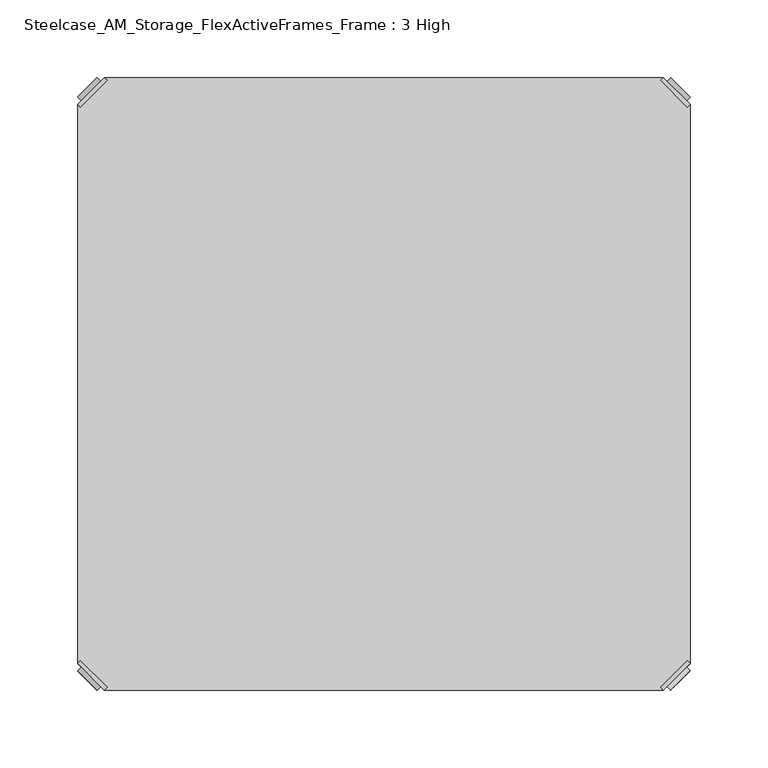
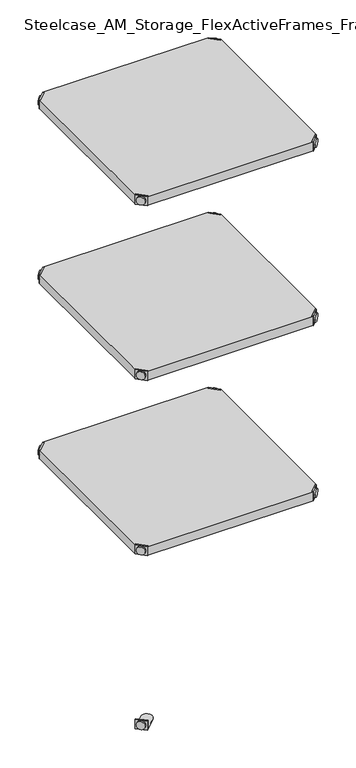
"""IFC4 building model written with IfcOpenShell, lengths in millimetres: furniture geometry, Steelcase_AM_Storage_FlexActiveFrames_Frame : 3 High."""

from ifc_helpers import new_model, si_unit, frame, origin, place, context, project, spatial, polyline, circle_curve, outline, extrude, source, transform, mapped, element, save
from ifc_brep_helpers import plane_surface, cylinder_surface, advanced_brep


def steelcase_am_storage_flexactiveframes_frame_3_high_4e09708e(model_context):
    return source(origin(), model_context, "Body", "SolidModel", [
        advanced_brep(
        [(2.54, -380.2870969, 923.29), (19.7629031, -397.51, 923.29), (21.5589544, -395.7139488, 923.29), (4.3360512, -378.4910456, 923.29), (2.54, -380.2870969, 901.954), (19.7629031, -397.51, 901.954), (4.8652723, -382.6123691, 913.13), (17.4376309, -395.1847277, 913.13), (30.2920522, -352.5350447, 902.97), (4.3360512, -378.4910456, 902.97), (21.5589544, -395.7139488, 902.97), (47.5149553, -369.7579478, 902.97), (30.2920522, -352.5350447, 901.954), (47.5149553, -369.7579478, 901.954), (15.1227513, -397.4996073, 913.13), (2.5503927, -384.9272487, 913.13)],
        [
            (0, 1),
            (1, 2),
            (2, 3),
            (3, 0),
            (0, 4),
            (4, 5),
            (5, 1),
            (6, 7, circle_curve(frame((11.1514516, -388.8985484, 913.13), z_axis=(0.7071067811865446, 0.7071067811865505, 0.0), x_axis=(-0.7071067811865505, 0.7071067811865446, 0.0)), 8.89)),
            (7, 6, circle_curve(frame((11.1514516, -388.8985484, 913.13), z_axis=(0.7071067811865446, 0.7071067811865505, 0.0), x_axis=(-0.7071067811865505, 0.7071067811865446, 0.0)), 8.89)),
            (8, 9),
            (9, 10),
            (10, 11),
            (11, 8, circle_curve(frame((38.9035037, -361.1464963, 902.97), z_axis=(0.0, 0.0, 1.0), x_axis=(1.0, 0.0, 0.0)), 12.1784316)),
            (12, 13, circle_curve(frame((38.9035037, -361.1464963, 901.954), z_axis=(0.0, 0.0, -1.0), x_axis=(1.0, 0.0, 0.0)), 12.1784316)),
            (13, 5),
            (4, 12),
            (14, 15, circle_curve(frame((8.836572, -391.213428, 913.13), z_axis=(-0.7071067811865446, -0.7071067811865505, 0.0), x_axis=(-0.7071067811865505, 0.7071067811865446, 0.0)), 8.89)),
            (15, 14, circle_curve(frame((8.836572, -391.213428, 913.13), z_axis=(-0.7071067811865446, -0.7071067811865505, 0.0), x_axis=(-0.7071067811865505, 0.7071067811865446, 0.0)), 8.89)),
            (15, 6),
            (7, 14),
            (2, 10),
            (9, 3),
            (11, 13),
            (12, 8),
        ],
        [
            plane_surface(frame((-19.6579872, -402.485084, 923.29), z_axis=(0.0, 0.0, 1.0000000000000002), x_axis=(0.7071067811865436, 0.7071067811865516, 0.0))),
            plane_surface(frame((19.7629031, -397.51, 923.29), z_axis=(-0.7071067811865447, -0.7071067811865503, 0.0), x_axis=(0.0, 0.0, -1.0))),
            plane_surface(frame((51.0819353, -361.1464963, 902.97), z_axis=(0.0, 0.0, 1.0), x_axis=(0.0, -1.0, 0.0))),
            plane_surface(frame((51.0819353, -361.1464963, 901.954), z_axis=(0.0, 0.0, -1.0), x_axis=(0.0, 1.0, 0.0))),
            plane_surface(frame((2.5503927, -384.9272487, 913.13), z_axis=(-0.7071067811865446, -0.7071067811865505, 0.0), x_axis=(0.0, 0.0, 1.0))),
            cylinder_surface(frame((11.1514516, -388.8985484, 913.13), z_axis=(-0.7071067811865446, -0.7071067811865505, 0.0), x_axis=(-0.7071067811865505, 0.7071067811865446, 0.0)), 8.89),
            plane_surface(frame((4.3360512, -378.4910456, 923.29), z_axis=(0.7071067811865447, 0.7071067811865503, 0.0), x_axis=(0.0, 0.0, -1.0))),
            cylinder_surface(frame((38.9035037, -361.1464963, 901.954), z_axis=(0.0, 0.0, 1.0), x_axis=(1.0, 0.0, 0.0)), 12.1784316),
            plane_surface(frame((2.54, -380.2870969, 923.29), z_axis=(-0.7071067811865516, 0.7071067811865436, 0.0), x_axis=(0.0, 0.0, -1.0))),
            plane_surface(frame((21.5589544, -395.7139488, 923.29), z_axis=(0.7071067811865513, -0.7071067811865437, 0.0), x_axis=(0.0, 0.0, -1.0))),
        ],
        [
            (0, [[1, 2, 3, 4]]),
            (1, [[5, 6, 7, -1], [8, 9]]),
            (2, [[10, 11, 12, 13]]),
            (3, [[14, 15, -6, 16]]),
            (4, [[17, 18]]),
            (5, [[19, -9, 20, -18]]),
            (5, [[-20, -8, -19, -17]]),
            (6, [[21, -11, 22, -3]]),
            (7, [[23, -14, 24, -13]]),
            (8, [[-22, -10, -24, -16, -5, -4]]),
            (9, [[-7, -15, -23, -12, -21, -2]]),
        ],
    ),
        advanced_brep(
        [(397.51, -380.2870969, 923.29), (395.7139488, -378.4910456, 923.29), (378.4910456, -395.7139488, 923.29), (380.2870969, -397.51, 923.29), (380.2870969, -397.51, 901.954), (397.51, -380.2870969, 901.954), (395.1847277, -382.6123691, 913.13), (382.6123691, -395.1847277, 913.13), (369.7579478, -352.5350447, 902.97), (352.5350447, -369.7579478, 902.97), (378.4910456, -395.7139488, 902.97), (395.7139488, -378.4910456, 902.97), (369.7579478, -352.5350447, 901.954), (352.5350447, -369.7579478, 901.954), (384.9272487, -397.4996073, 913.13), (397.4996073, -384.9272487, 913.13)],
        [
            (0, 1),
            (1, 2),
            (2, 3),
            (3, 0),
            (3, 4),
            (4, 5),
            (5, 0),
            (6, 7, circle_curve(frame((388.8985484, -388.8985484, 913.13), z_axis=(-0.7071067811865446, 0.7071067811865505, 0.0), x_axis=(0.7071067811865505, 0.7071067811865446, 0.0)), 8.89)),
            (7, 6, circle_curve(frame((388.8985484, -388.8985484, 913.13), z_axis=(-0.7071067811865446, 0.7071067811865505, 0.0), x_axis=(0.7071067811865505, 0.7071067811865446, 0.0)), 8.89)),
            (8, 9, circle_curve(frame((361.1464963, -361.1464963, 902.97), z_axis=(0.0, 0.0, 1.0), x_axis=(-1.0, 0.0, 0.0)), 12.1784316)),
            (9, 10),
            (10, 11),
            (11, 8),
            (12, 5),
            (4, 13),
            (13, 12, circle_curve(frame((361.1464963, -361.1464963, 901.954), z_axis=(0.0, 0.0, -1.0), x_axis=(-1.0, 0.0, 0.0)), 12.1784316)),
            (14, 15, circle_curve(frame((391.213428, -391.213428, 913.13), z_axis=(0.7071067811865446, -0.7071067811865505, 0.0), x_axis=(0.7071067811865505, 0.7071067811865446, 0.0)), 8.89)),
            (15, 14, circle_curve(frame((391.213428, -391.213428, 913.13), z_axis=(0.7071067811865446, -0.7071067811865505, 0.0), x_axis=(0.7071067811865505, 0.7071067811865446, 0.0)), 8.89)),
            (14, 7),
            (6, 15),
            (1, 11),
            (10, 2),
            (8, 12),
            (13, 9),
        ],
        [
            plane_surface(frame((419.7079872, -402.485084, 923.29), z_axis=(0.0, 0.0, 1.0000000000000002), x_axis=(-0.7071067811865436, 0.7071067811865516, 0.0))),
            plane_surface(frame((380.2870969, -397.51, 923.29), z_axis=(0.7071067811865447, -0.7071067811865503, 0.0), x_axis=(0.0, 0.0, -1.0))),
            plane_surface(frame((348.9680647, -361.1464963, 902.97), z_axis=(0.0, 0.0, 1.0), x_axis=(0.0, -1.0, 0.0))),
            plane_surface(frame((348.9680647, -361.1464963, 901.954), z_axis=(0.0, 0.0, -1.0), x_axis=(0.0, 1.0, 0.0))),
            plane_surface(frame((397.4996073, -384.9272487, 913.13), z_axis=(0.7071067811865446, -0.7071067811865505, 0.0), x_axis=(0.0, 0.0, 1.0))),
            cylinder_surface(frame((388.8985484, -388.8985484, 913.13), z_axis=(0.7071067811865446, -0.7071067811865505, 0.0), x_axis=(0.7071067811865505, 0.7071067811865446, 0.0)), 8.89),
            plane_surface(frame((395.7139488, -378.4910456, 923.29), z_axis=(-0.7071067811865447, 0.7071067811865503, 0.0), x_axis=(0.0, 0.0, -1.0))),
            cylinder_surface(frame((361.1464963, -361.1464963, 901.954), z_axis=(0.0, 0.0, 1.0), x_axis=(-1.0, 0.0, 0.0)), 12.1784316),
            plane_surface(frame((397.51, -380.2870969, 923.29), z_axis=(0.7071067811865516, 0.7071067811865436, 0.0), x_axis=(0.0, 0.0, -1.0))),
            plane_surface(frame((378.4910456, -395.7139488, 923.29), z_axis=(-0.7071067811865513, -0.7071067811865437, 0.0), x_axis=(0.0, 0.0, -1.0))),
        ],
        [
            (0, [[1, 2, 3, 4]]),
            (1, [[-4, 5, 6, 7], [8, 9]]),
            (2, [[10, 11, 12, 13]]),
            (3, [[14, -6, 15, 16]]),
            (4, [[17, 18]]),
            (5, [[-17, 19, -8, 20]]),
            (5, [[-18, -20, -9, -19]]),
            (6, [[-2, 21, -12, 22]]),
            (7, [[-10, 23, -16, 24]]),
            (8, [[-1, -7, -14, -23, -13, -21]]),
            (9, [[-3, -22, -11, -24, -15, -5]]),
        ],
    ),
        advanced_brep(
        [(397.51, -19.7629031, 923.29), (380.2870969, -2.54, 923.29), (378.4910456, -4.3360512, 923.29), (395.7139488, -21.5589544, 923.29), (397.51, -19.7629031, 901.954), (380.2870969, -2.54, 901.954), (395.1847277, -17.4376309, 913.13), (382.6123691, -4.8652723, 913.13), (369.7579478, -47.5149553, 902.97), (395.7139488, -21.5589544, 902.97), (378.4910456, -4.3360512, 902.97), (352.5350447, -30.2920522, 902.97), (369.7579478, -47.5149553, 901.954), (352.5350447, -30.2920522, 901.954), (384.9272487, -2.5503927, 913.13), (397.4996073, -15.1227513, 913.13)],
        [
            (0, 1),
            (1, 2),
            (2, 3),
            (3, 0),
            (0, 4),
            (4, 5),
            (5, 1),
            (6, 7, circle_curve(frame((388.8985484, -11.1514516, 913.13), z_axis=(-0.7071067811865469, -0.7071067811865481, 0.0), x_axis=(0.7071067811865481, -0.7071067811865469, 0.0)), 8.89)),
            (7, 6, circle_curve(frame((388.8985484, -11.1514516, 913.13), z_axis=(-0.7071067811865469, -0.7071067811865481, 0.0), x_axis=(0.7071067811865481, -0.7071067811865469, 0.0)), 8.89)),
            (8, 9),
            (9, 10),
            (10, 11),
            (11, 8, circle_curve(frame((361.1464963, -38.9035037, 902.97), z_axis=(0.0, 0.0, 1.0), x_axis=(-1.0, 0.0, 0.0)), 12.1784316)),
            (12, 13, circle_curve(frame((361.1464963, -38.9035037, 901.954), z_axis=(0.0, 0.0, -1.0), x_axis=(-1.0, 0.0, 0.0)), 12.1784316)),
            (13, 5),
            (4, 12),
            (14, 15, circle_curve(frame((391.213428, -8.836572, 913.13), z_axis=(0.7071067811865469, 0.7071067811865481, 0.0), x_axis=(0.7071067811865481, -0.7071067811865469, 0.0)), 8.89)),
            (15, 14, circle_curve(frame((391.213428, -8.836572, 913.13), z_axis=(0.7071067811865469, 0.7071067811865481, 0.0), x_axis=(0.7071067811865481, -0.7071067811865469, 0.0)), 8.89)),
            (15, 6),
            (7, 14),
            (2, 10),
            (9, 3),
            (11, 13),
            (12, 8),
        ],
        [
            plane_surface(frame((419.7079872, 2.435084, 923.29), z_axis=(0.0, 0.0, 1.0000000000000002), x_axis=(-0.7071067811865459, -0.7071067811865492, 0.0))),
            plane_surface(frame((380.2870969, -2.54, 923.29), z_axis=(0.707106781186547, 0.707106781186548, 0.0), x_axis=(0.0, 0.0, -1.0))),
            plane_surface(frame((348.9680647, -38.9035037, 902.97), z_axis=(0.0, 0.0, 1.0), x_axis=(0.0, 1.0, 0.0))),
            plane_surface(frame((348.9680647, -38.9035037, 901.954), z_axis=(0.0, 0.0, -1.0), x_axis=(0.0, -1.0, 0.0))),
            plane_surface(frame((397.4996073, -15.1227513, 913.13), z_axis=(0.7071067811865469, 0.7071067811865481, 0.0), x_axis=(0.0, 0.0, 1.0))),
            cylinder_surface(frame((388.8985484, -11.1514516, 913.13), z_axis=(0.7071067811865469, 0.7071067811865481, 0.0), x_axis=(0.7071067811865481, -0.7071067811865469, 0.0)), 8.89),
            plane_surface(frame((395.7139488, -21.5589544, 923.29), z_axis=(-0.707106781186547, -0.707106781186548, 0.0), x_axis=(0.0, 0.0, -1.0))),
            cylinder_surface(frame((361.1464963, -38.9035037, 901.954), z_axis=(0.0, 0.0, 1.0), x_axis=(-1.0, 0.0, 0.0)), 12.1784316),
            plane_surface(frame((397.51, -19.7629031, 923.29), z_axis=(0.7071067811865492, -0.7071067811865459, 0.0), x_axis=(0.0, 0.0, -1.0))),
            plane_surface(frame((378.4910456, -4.3360512, 923.29), z_axis=(-0.707106781186549, 0.707106781186546, 0.0), x_axis=(0.0, 0.0, -1.0))),
        ],
        [
            (0, [[1, 2, 3, 4]]),
            (1, [[5, 6, 7, -1], [8, 9]]),
            (2, [[10, 11, 12, 13]]),
            (3, [[14, 15, -6, 16]]),
            (4, [[17, 18]]),
            (5, [[19, -9, 20, -18]]),
            (5, [[-20, -8, -19, -17]]),
            (6, [[21, -11, 22, -3]]),
            (7, [[23, -14, 24, -13]]),
            (8, [[-22, -10, -24, -16, -5, -4]]),
            (9, [[-7, -15, -23, -12, -21, -2]]),
        ],
    ),
        advanced_brep(
        [(2.54, -19.7629031, 923.29), (4.3360512, -21.5589544, 923.29), (21.5589544, -4.3360512, 923.29), (19.7629031, -2.54, 923.29), (19.7629031, -2.54, 901.954), (2.54, -19.7629031, 901.954), (4.8652723, -17.4376309, 913.13), (17.4376309, -4.8652723, 913.13), (30.2920522, -47.5149553, 902.97), (47.5149553, -30.2920522, 902.97), (21.5589544, -4.3360512, 902.97), (4.3360512, -21.5589544, 902.97), (30.2920522, -47.5149553, 901.954), (47.5149553, -30.2920522, 901.954), (15.1227513, -2.5503927, 913.13), (2.5503927, -15.1227513, 913.13)],
        [
            (0, 1),
            (1, 2),
            (2, 3),
            (3, 0),
            (3, 4),
            (4, 5),
            (5, 0),
            (6, 7, circle_curve(frame((11.1514516, -11.1514516, 913.13), z_axis=(0.7071067811865469, -0.7071067811865481, 0.0), x_axis=(-0.7071067811865481, -0.7071067811865469, 0.0)), 8.89)),
            (7, 6, circle_curve(frame((11.1514516, -11.1514516, 913.13), z_axis=(0.7071067811865469, -0.7071067811865481, 0.0), x_axis=(-0.7071067811865481, -0.7071067811865469, 0.0)), 8.89)),
            (8, 9, circle_curve(frame((38.9035037, -38.9035037, 902.97), z_axis=(0.0, 0.0, 1.0), x_axis=(1.0, 0.0, 0.0)), 12.1784316)),
            (9, 10),
            (10, 11),
            (11, 8),
            (12, 5),
            (4, 13),
            (13, 12, circle_curve(frame((38.9035037, -38.9035037, 901.954), z_axis=(0.0, 0.0, -1.0), x_axis=(1.0, 0.0, 0.0)), 12.1784316)),
            (14, 15, circle_curve(frame((8.836572, -8.836572, 913.13), z_axis=(-0.7071067811865469, 0.7071067811865481, 0.0), x_axis=(-0.7071067811865481, -0.7071067811865469, 0.0)), 8.89)),
            (15, 14, circle_curve(frame((8.836572, -8.836572, 913.13), z_axis=(-0.7071067811865469, 0.7071067811865481, 0.0), x_axis=(-0.7071067811865481, -0.7071067811865469, 0.0)), 8.89)),
            (14, 7),
            (6, 15),
            (1, 11),
            (10, 2),
            (8, 12),
            (13, 9),
        ],
        [
            plane_surface(frame((-19.6579872, 2.435084, 923.29), z_axis=(0.0, 0.0, 1.0000000000000002), x_axis=(0.7071067811865459, -0.7071067811865492, 0.0))),
            plane_surface(frame((19.7629031, -2.54, 923.29), z_axis=(-0.707106781186547, 0.707106781186548, 0.0), x_axis=(0.0, 0.0, -1.0))),
            plane_surface(frame((51.0819353, -38.9035037, 902.97), z_axis=(0.0, 0.0, 1.0), x_axis=(0.0, 1.0, 0.0))),
            plane_surface(frame((51.0819353, -38.9035037, 901.954), z_axis=(0.0, 0.0, -1.0), x_axis=(0.0, -1.0, 0.0))),
            plane_surface(frame((2.5503927, -15.1227513, 913.13), z_axis=(-0.7071067811865469, 0.7071067811865481, 0.0), x_axis=(0.0, 0.0, 1.0))),
            cylinder_surface(frame((11.1514516, -11.1514516, 913.13), z_axis=(-0.7071067811865469, 0.7071067811865481, 0.0), x_axis=(-0.7071067811865481, -0.7071067811865469, 0.0)), 8.89),
            plane_surface(frame((4.3360512, -21.5589544, 923.29), z_axis=(0.707106781186547, -0.707106781186548, 0.0), x_axis=(0.0, 0.0, -1.0))),
            cylinder_surface(frame((38.9035037, -38.9035037, 901.954), z_axis=(0.0, 0.0, 1.0), x_axis=(1.0, 0.0, 0.0)), 12.1784316),
            plane_surface(frame((2.54, -19.7629031, 923.29), z_axis=(-0.7071067811865492, -0.7071067811865459, 0.0), x_axis=(0.0, 0.0, -1.0))),
            plane_surface(frame((21.5589544, -4.3360512, 923.29), z_axis=(0.707106781186549, 0.707106781186546, 0.0), x_axis=(0.0, 0.0, -1.0))),
        ],
        [
            (0, [[1, 2, 3, 4]]),
            (1, [[-4, 5, 6, 7], [8, 9]]),
            (2, [[10, 11, 12, 13]]),
            (3, [[14, -6, 15, 16]]),
            (4, [[17, 18]]),
            (5, [[-17, 19, -8, 20]]),
            (5, [[-18, -20, -9, -19]]),
            (6, [[-2, 21, -12, 22]]),
            (7, [[-10, 23, -16, 24]]),
            (8, [[-1, -7, -14, -23, -13, -21]]),
            (9, [[-3, -22, -11, -24, -15, -5]]),
        ],
    ),
        extrude(outline(polyline([(19.7629031, -2.54), (380.2870969, -2.54), (378.4910456, -4.3360512), (395.7139488, -21.5589544), (397.51, -19.7629031), (397.51, -380.2870969), (395.7139488, -378.4910456), (378.4910456, -395.7139488), (380.2870969, -397.51), (19.7629031, -397.51), (21.5589544, -395.7139488), (4.3360512, -378.4910456), (2.54, -380.2870969), (2.54, -19.7629031), (4.3360512, -21.5589544), (21.5589544, -4.3360512), (19.7629031, -2.54)])), frame((0.0, 0.0, 902.97), z_axis=(0.0, 0.0, 1.0), x_axis=(1.0, 0.0, 0.0)), (0.0, 0.0, 1.0), 20.32),
        advanced_brep(
        [(2.54, -380.2870969, 520.2936), (19.7629031, -397.51, 520.2936), (21.5589544, -395.7139488, 520.2936), (4.3360512, -378.4910456, 520.2936), (2.54, -380.2870969, 498.9576), (19.7629031, -397.51, 498.9576), (4.8652723, -382.6123691, 510.1336), (17.4376309, -395.1847277, 510.1336), (30.2920522, -352.5350447, 499.9736), (4.3360512, -378.4910456, 499.9736), (21.5589544, -395.7139488, 499.9736), (47.5149553, -369.7579478, 499.9736), (30.2920522, -352.5350447, 498.9576), (47.5149553, -369.7579478, 498.9576), (15.1227513, -397.4996073, 510.1336), (2.5503927, -384.9272487, 510.1336)],
        [
            (0, 1),
            (1, 2),
            (2, 3),
            (3, 0),
            (0, 4),
            (4, 5),
            (5, 1),
            (6, 7, circle_curve(frame((11.1514516, -388.8985484, 510.1336), z_axis=(0.7071067811865446, 0.7071067811865505, 0.0), x_axis=(-0.7071067811865505, 0.7071067811865446, 0.0)), 8.89)),
            (7, 6, circle_curve(frame((11.1514516, -388.8985484, 510.1336), z_axis=(0.7071067811865446, 0.7071067811865505, 0.0), x_axis=(-0.7071067811865505, 0.7071067811865446, 0.0)), 8.89)),
            (8, 9),
            (9, 10),
            (10, 11),
            (11, 8, circle_curve(frame((38.9035037, -361.1464963, 499.9736), z_axis=(0.0, 0.0, 1.0), x_axis=(1.0, 0.0, 0.0)), 12.1784316)),
            (12, 13, circle_curve(frame((38.9035037, -361.1464963, 498.9576), z_axis=(0.0, 0.0, -1.0), x_axis=(1.0, 0.0, 0.0)), 12.1784316)),
            (13, 5),
            (4, 12),
            (14, 15, circle_curve(frame((8.836572, -391.213428, 510.1336), z_axis=(-0.7071067811865446, -0.7071067811865505, 0.0), x_axis=(-0.7071067811865505, 0.7071067811865446, 0.0)), 8.89)),
            (15, 14, circle_curve(frame((8.836572, -391.213428, 510.1336), z_axis=(-0.7071067811865446, -0.7071067811865505, 0.0), x_axis=(-0.7071067811865505, 0.7071067811865446, 0.0)), 8.89)),
            (15, 6),
            (7, 14),
            (2, 10),
            (9, 3),
            (11, 13),
            (12, 8),
        ],
        [
            plane_surface(frame((-19.6579872, -402.485084, 520.2936), z_axis=(0.0, 0.0, 1.0000000000000002), x_axis=(0.7071067811865436, 0.7071067811865516, 0.0))),
            plane_surface(frame((19.7629031, -397.51, 520.2936), z_axis=(-0.7071067811865447, -0.7071067811865503, 0.0), x_axis=(0.0, 0.0, -1.0))),
            plane_surface(frame((51.0819353, -361.1464963, 499.9736), z_axis=(0.0, 0.0, 1.0), x_axis=(0.0, -1.0, 0.0))),
            plane_surface(frame((51.0819353, -361.1464963, 498.9576), z_axis=(0.0, 0.0, -1.0), x_axis=(0.0, 1.0, 0.0))),
            plane_surface(frame((2.5503927, -384.9272487, 510.1336), z_axis=(-0.7071067811865446, -0.7071067811865505, 0.0), x_axis=(0.0, 0.0, 1.0))),
            cylinder_surface(frame((11.1514516, -388.8985484, 510.1336), z_axis=(-0.7071067811865446, -0.7071067811865505, 0.0), x_axis=(-0.7071067811865505, 0.7071067811865446, 0.0)), 8.89),
            plane_surface(frame((4.3360512, -378.4910456, 520.2936), z_axis=(0.7071067811865447, 0.7071067811865503, 0.0), x_axis=(0.0, 0.0, -1.0))),
            cylinder_surface(frame((38.9035037, -361.1464963, 498.9576), z_axis=(0.0, 0.0, 1.0), x_axis=(1.0, 0.0, 0.0)), 12.1784316),
            plane_surface(frame((2.54, -380.2870969, 520.2936), z_axis=(-0.7071067811865516, 0.7071067811865436, 0.0), x_axis=(0.0, 0.0, -1.0))),
            plane_surface(frame((21.5589544, -395.7139488, 520.2936), z_axis=(0.7071067811865513, -0.7071067811865437, 0.0), x_axis=(0.0, 0.0, -1.0))),
        ],
        [
            (0, [[1, 2, 3, 4]]),
            (1, [[5, 6, 7, -1], [8, 9]]),
            (2, [[10, 11, 12, 13]]),
            (3, [[14, 15, -6, 16]]),
            (4, [[17, 18]]),
            (5, [[19, -9, 20, -18]]),
            (5, [[-20, -8, -19, -17]]),
            (6, [[21, -11, 22, -3]]),
            (7, [[23, -14, 24, -13]]),
            (8, [[-22, -10, -24, -16, -5, -4]]),
            (9, [[-7, -15, -23, -12, -21, -2]]),
        ],
    ),
        advanced_brep(
        [(397.51, -380.2870969, 520.2936), (395.7139488, -378.4910456, 520.2936), (378.4910456, -395.7139488, 520.2936), (380.2870969, -397.51, 520.2936), (380.2870969, -397.51, 498.9576), (397.51, -380.2870969, 498.9576), (395.1847277, -382.6123691, 510.1336), (382.6123691, -395.1847277, 510.1336), (369.7579478, -352.5350447, 499.9736), (352.5350447, -369.7579478, 499.9736), (378.4910456, -395.7139488, 499.9736), (395.7139488, -378.4910456, 499.9736), (369.7579478, -352.5350447, 498.9576), (352.5350447, -369.7579478, 498.9576), (384.9272487, -397.4996073, 510.1336), (397.4996073, -384.9272487, 510.1336)],
        [
            (0, 1),
            (1, 2),
            (2, 3),
            (3, 0),
            (3, 4),
            (4, 5),
            (5, 0),
            (6, 7, circle_curve(frame((388.8985484, -388.8985484, 510.1336), z_axis=(-0.7071067811865446, 0.7071067811865505, 0.0), x_axis=(0.7071067811865505, 0.7071067811865446, 0.0)), 8.89)),
            (7, 6, circle_curve(frame((388.8985484, -388.8985484, 510.1336), z_axis=(-0.7071067811865446, 0.7071067811865505, 0.0), x_axis=(0.7071067811865505, 0.7071067811865446, 0.0)), 8.89)),
            (8, 9, circle_curve(frame((361.1464963, -361.1464963, 499.9736), z_axis=(0.0, 0.0, 1.0), x_axis=(-1.0, 0.0, 0.0)), 12.1784316)),
            (9, 10),
            (10, 11),
            (11, 8),
            (12, 5),
            (4, 13),
            (13, 12, circle_curve(frame((361.1464963, -361.1464963, 498.9576), z_axis=(0.0, 0.0, -1.0), x_axis=(-1.0, 0.0, 0.0)), 12.1784316)),
            (14, 15, circle_curve(frame((391.213428, -391.213428, 510.1336), z_axis=(0.7071067811865446, -0.7071067811865505, 0.0), x_axis=(0.7071067811865505, 0.7071067811865446, 0.0)), 8.89)),
            (15, 14, circle_curve(frame((391.213428, -391.213428, 510.1336), z_axis=(0.7071067811865446, -0.7071067811865505, 0.0), x_axis=(0.7071067811865505, 0.7071067811865446, 0.0)), 8.89)),
            (14, 7),
            (6, 15),
            (1, 11),
            (10, 2),
            (8, 12),
            (13, 9),
        ],
        [
            plane_surface(frame((419.7079872, -402.485084, 520.2936), z_axis=(0.0, 0.0, 1.0000000000000002), x_axis=(-0.7071067811865436, 0.7071067811865516, 0.0))),
            plane_surface(frame((380.2870969, -397.51, 520.2936), z_axis=(0.7071067811865447, -0.7071067811865503, 0.0), x_axis=(0.0, 0.0, -1.0))),
            plane_surface(frame((348.9680647, -361.1464963, 499.9736), z_axis=(0.0, 0.0, 1.0), x_axis=(0.0, -1.0, 0.0))),
            plane_surface(frame((348.9680647, -361.1464963, 498.9576), z_axis=(0.0, 0.0, -1.0), x_axis=(0.0, 1.0, 0.0))),
            plane_surface(frame((397.4996073, -384.9272487, 510.1336), z_axis=(0.7071067811865446, -0.7071067811865505, 0.0), x_axis=(0.0, 0.0, 1.0))),
            cylinder_surface(frame((388.8985484, -388.8985484, 510.1336), z_axis=(0.7071067811865446, -0.7071067811865505, 0.0), x_axis=(0.7071067811865505, 0.7071067811865446, 0.0)), 8.89),
            plane_surface(frame((395.7139488, -378.4910456, 520.2936), z_axis=(-0.7071067811865447, 0.7071067811865503, 0.0), x_axis=(0.0, 0.0, -1.0))),
            cylinder_surface(frame((361.1464963, -361.1464963, 498.9576), z_axis=(0.0, 0.0, 1.0), x_axis=(-1.0, 0.0, 0.0)), 12.1784316),
            plane_surface(frame((397.51, -380.2870969, 520.2936), z_axis=(0.7071067811865516, 0.7071067811865436, 0.0), x_axis=(0.0, 0.0, -1.0))),
            plane_surface(frame((378.4910456, -395.7139488, 520.2936), z_axis=(-0.7071067811865513, -0.7071067811865437, 0.0), x_axis=(0.0, 0.0, -1.0))),
        ],
        [
            (0, [[1, 2, 3, 4]]),
            (1, [[-4, 5, 6, 7], [8, 9]]),
            (2, [[10, 11, 12, 13]]),
            (3, [[14, -6, 15, 16]]),
            (4, [[17, 18]]),
            (5, [[-17, 19, -8, 20]]),
            (5, [[-18, -20, -9, -19]]),
            (6, [[-2, 21, -12, 22]]),
            (7, [[-10, 23, -16, 24]]),
            (8, [[-1, -7, -14, -23, -13, -21]]),
            (9, [[-3, -22, -11, -24, -15, -5]]),
        ],
    ),
        advanced_brep(
        [(397.51, -19.7629031, 520.2936), (380.2870969, -2.54, 520.2936), (378.4910456, -4.3360512, 520.2936), (395.7139488, -21.5589544, 520.2936), (397.51, -19.7629031, 498.9576), (380.2870969, -2.54, 498.9576), (395.1847277, -17.4376309, 510.1336), (382.6123691, -4.8652723, 510.1336), (369.7579478, -47.5149553, 499.9736), (395.7139488, -21.5589544, 499.9736), (378.4910456, -4.3360512, 499.9736), (352.5350447, -30.2920522, 499.9736), (369.7579478, -47.5149553, 498.9576), (352.5350447, -30.2920522, 498.9576), (384.9272487, -2.5503927, 510.1336), (397.4996073, -15.1227513, 510.1336)],
        [
            (0, 1),
            (1, 2),
            (2, 3),
            (3, 0),
            (0, 4),
            (4, 5),
            (5, 1),
            (6, 7, circle_curve(frame((388.8985484, -11.1514516, 510.1336), z_axis=(-0.7071067811865469, -0.7071067811865481, 0.0), x_axis=(0.7071067811865481, -0.7071067811865469, 0.0)), 8.89)),
            (7, 6, circle_curve(frame((388.8985484, -11.1514516, 510.1336), z_axis=(-0.7071067811865469, -0.7071067811865481, 0.0), x_axis=(0.7071067811865481, -0.7071067811865469, 0.0)), 8.89)),
            (8, 9),
            (9, 10),
            (10, 11),
            (11, 8, circle_curve(frame((361.1464963, -38.9035037, 499.9736), z_axis=(0.0, 0.0, 1.0), x_axis=(-1.0, 0.0, 0.0)), 12.1784316)),
            (12, 13, circle_curve(frame((361.1464963, -38.9035037, 498.9576), z_axis=(0.0, 0.0, -1.0), x_axis=(-1.0, 0.0, 0.0)), 12.1784316)),
            (13, 5),
            (4, 12),
            (14, 15, circle_curve(frame((391.213428, -8.836572, 510.1336), z_axis=(0.7071067811865469, 0.7071067811865481, 0.0), x_axis=(0.7071067811865481, -0.7071067811865469, 0.0)), 8.89)),
            (15, 14, circle_curve(frame((391.213428, -8.836572, 510.1336), z_axis=(0.7071067811865469, 0.7071067811865481, 0.0), x_axis=(0.7071067811865481, -0.7071067811865469, 0.0)), 8.89)),
            (15, 6),
            (7, 14),
            (2, 10),
            (9, 3),
            (11, 13),
            (12, 8),
        ],
        [
            plane_surface(frame((419.7079872, 2.435084, 520.2936), z_axis=(0.0, 0.0, 1.0000000000000002), x_axis=(-0.7071067811865459, -0.7071067811865492, 0.0))),
            plane_surface(frame((380.2870969, -2.54, 520.2936), z_axis=(0.707106781186547, 0.707106781186548, 0.0), x_axis=(0.0, 0.0, -1.0))),
            plane_surface(frame((348.9680647, -38.9035037, 499.9736), z_axis=(0.0, 0.0, 1.0), x_axis=(0.0, 1.0, 0.0))),
            plane_surface(frame((348.9680647, -38.9035037, 498.9576), z_axis=(0.0, 0.0, -1.0), x_axis=(0.0, -1.0, 0.0))),
            plane_surface(frame((397.4996073, -15.1227513, 510.1336), z_axis=(0.7071067811865469, 0.7071067811865481, 0.0), x_axis=(0.0, 0.0, 1.0))),
            cylinder_surface(frame((388.8985484, -11.1514516, 510.1336), z_axis=(0.7071067811865469, 0.7071067811865481, 0.0), x_axis=(0.7071067811865481, -0.7071067811865469, 0.0)), 8.89),
            plane_surface(frame((395.7139488, -21.5589544, 520.2936), z_axis=(-0.707106781186547, -0.707106781186548, 0.0), x_axis=(0.0, 0.0, -1.0))),
            cylinder_surface(frame((361.1464963, -38.9035037, 498.9576), z_axis=(0.0, 0.0, 1.0), x_axis=(-1.0, 0.0, 0.0)), 12.1784316),
            plane_surface(frame((397.51, -19.7629031, 520.2936), z_axis=(0.7071067811865492, -0.7071067811865459, 0.0), x_axis=(0.0, 0.0, -1.0))),
            plane_surface(frame((378.4910456, -4.3360512, 520.2936), z_axis=(-0.707106781186549, 0.707106781186546, 0.0), x_axis=(0.0, 0.0, -1.0))),
        ],
        [
            (0, [[1, 2, 3, 4]]),
            (1, [[5, 6, 7, -1], [8, 9]]),
            (2, [[10, 11, 12, 13]]),
            (3, [[14, 15, -6, 16]]),
            (4, [[17, 18]]),
            (5, [[19, -9, 20, -18]]),
            (5, [[-20, -8, -19, -17]]),
            (6, [[21, -11, 22, -3]]),
            (7, [[23, -14, 24, -13]]),
            (8, [[-22, -10, -24, -16, -5, -4]]),
            (9, [[-7, -15, -23, -12, -21, -2]]),
        ],
    ),
        advanced_brep(
        [(2.54, -19.7629031, 520.2936), (4.3360512, -21.5589544, 520.2936), (21.5589544, -4.3360512, 520.2936), (19.7629031, -2.54, 520.2936), (19.7629031, -2.54, 498.9576), (2.54, -19.7629031, 498.9576), (4.8652723, -17.4376309, 510.1336), (17.4376309, -4.8652723, 510.1336), (30.2920522, -47.5149553, 499.9736), (47.5149553, -30.2920522, 499.9736), (21.5589544, -4.3360512, 499.9736), (4.3360512, -21.5589544, 499.9736), (30.2920522, -47.5149553, 498.9576), (47.5149553, -30.2920522, 498.9576), (15.1227513, -2.5503927, 510.1336), (2.5503927, -15.1227513, 510.1336)],
        [
            (0, 1),
            (1, 2),
            (2, 3),
            (3, 0),
            (3, 4),
            (4, 5),
            (5, 0),
            (6, 7, circle_curve(frame((11.1514516, -11.1514516, 510.1336), z_axis=(0.7071067811865469, -0.7071067811865481, 0.0), x_axis=(-0.7071067811865481, -0.7071067811865469, 0.0)), 8.89)),
            (7, 6, circle_curve(frame((11.1514516, -11.1514516, 510.1336), z_axis=(0.7071067811865469, -0.7071067811865481, 0.0), x_axis=(-0.7071067811865481, -0.7071067811865469, 0.0)), 8.89)),
            (8, 9, circle_curve(frame((38.9035037, -38.9035037, 499.9736), z_axis=(0.0, 0.0, 1.0), x_axis=(1.0, 0.0, 0.0)), 12.1784316)),
            (9, 10),
            (10, 11),
            (11, 8),
            (12, 5),
            (4, 13),
            (13, 12, circle_curve(frame((38.9035037, -38.9035037, 498.9576), z_axis=(0.0, 0.0, -1.0), x_axis=(1.0, 0.0, 0.0)), 12.1784316)),
            (14, 15, circle_curve(frame((8.836572, -8.836572, 510.1336), z_axis=(-0.7071067811865469, 0.7071067811865481, 0.0), x_axis=(-0.7071067811865481, -0.7071067811865469, 0.0)), 8.89)),
            (15, 14, circle_curve(frame((8.836572, -8.836572, 510.1336), z_axis=(-0.7071067811865469, 0.7071067811865481, 0.0), x_axis=(-0.7071067811865481, -0.7071067811865469, 0.0)), 8.89)),
            (14, 7),
            (6, 15),
            (1, 11),
            (10, 2),
            (8, 12),
            (13, 9),
        ],
        [
            plane_surface(frame((-19.6579872, 2.435084, 520.2936), z_axis=(0.0, 0.0, 1.0000000000000002), x_axis=(0.7071067811865459, -0.7071067811865492, 0.0))),
            plane_surface(frame((19.7629031, -2.54, 520.2936), z_axis=(-0.707106781186547, 0.707106781186548, 0.0), x_axis=(0.0, 0.0, -1.0))),
            plane_surface(frame((51.0819353, -38.9035037, 499.9736), z_axis=(0.0, 0.0, 1.0), x_axis=(0.0, 1.0, 0.0))),
            plane_surface(frame((51.0819353, -38.9035037, 498.9576), z_axis=(0.0, 0.0, -1.0), x_axis=(0.0, -1.0, 0.0))),
            plane_surface(frame((2.5503927, -15.1227513, 510.1336), z_axis=(-0.7071067811865469, 0.7071067811865481, 0.0), x_axis=(0.0, 0.0, 1.0))),
            cylinder_surface(frame((11.1514516, -11.1514516, 510.1336), z_axis=(-0.7071067811865469, 0.7071067811865481, 0.0), x_axis=(-0.7071067811865481, -0.7071067811865469, 0.0)), 8.89),
            plane_surface(frame((4.3360512, -21.5589544, 520.2936), z_axis=(0.707106781186547, -0.707106781186548, 0.0), x_axis=(0.0, 0.0, -1.0))),
            cylinder_surface(frame((38.9035037, -38.9035037, 498.9576), z_axis=(0.0, 0.0, 1.0), x_axis=(1.0, 0.0, 0.0)), 12.1784316),
            plane_surface(frame((2.54, -19.7629031, 520.2936), z_axis=(-0.7071067811865492, -0.7071067811865459, 0.0), x_axis=(0.0, 0.0, -1.0))),
            plane_surface(frame((21.5589544, -4.3360512, 520.2936), z_axis=(0.707106781186549, 0.707106781186546, 0.0), x_axis=(0.0, 0.0, -1.0))),
        ],
        [
            (0, [[1, 2, 3, 4]]),
            (1, [[-4, 5, 6, 7], [8, 9]]),
            (2, [[10, 11, 12, 13]]),
            (3, [[14, -6, 15, 16]]),
            (4, [[17, 18]]),
            (5, [[-17, 19, -8, 20]]),
            (5, [[-18, -20, -9, -19]]),
            (6, [[-2, 21, -12, 22]]),
            (7, [[-10, 23, -16, 24]]),
            (8, [[-1, -7, -14, -23, -13, -21]]),
            (9, [[-3, -22, -11, -24, -15, -5]]),
        ],
    ),
        extrude(outline(polyline([(19.7629031, -2.54), (380.2870969, -2.54), (378.4910456, -4.3360512), (395.7139488, -21.5589544), (397.51, -19.7629031), (397.51, -380.2870969), (395.7139488, -378.4910456), (378.4910456, -395.7139488), (380.2870969, -397.51), (19.7629031, -397.51), (21.5589544, -395.7139488), (4.3360512, -378.4910456), (2.54, -380.2870969), (2.54, -19.7629031), (4.3360512, -21.5589544), (21.5589544, -4.3360512), (19.7629031, -2.54)])), frame((0.0, 0.0, 499.9736), z_axis=(0.0, 0.0, 1.0), x_axis=(1.0, 0.0, 0.0)), (0.0, 0.0, 1.0), 20.32),
        advanced_brep(
        [(2.54, -380.2870969, 1324.61), (19.7629031, -397.51, 1324.61), (21.5589544, -395.7139488, 1324.61), (4.3360512, -378.4910456, 1324.61), (2.54, -380.2870969, 1303.274), (19.7629031, -397.51, 1303.274), (4.8652723, -382.6123691, 1314.45), (17.4376309, -395.1847277, 1314.45), (30.2920522, -352.5350447, 1304.29), (4.3360512, -378.4910456, 1304.29), (21.5589544, -395.7139488, 1304.29), (47.5149553, -369.7579478, 1304.29), (30.2920522, -352.5350447, 1303.274), (47.5149553, -369.7579478, 1303.274), (15.1227513, -397.4996073, 1314.45), (2.5503927, -384.9272487, 1314.45)],
        [
            (0, 1),
            (1, 2),
            (2, 3),
            (3, 0),
            (0, 4),
            (4, 5),
            (5, 1),
            (6, 7, circle_curve(frame((11.1514516, -388.8985484, 1314.45), z_axis=(0.7071067811865446, 0.7071067811865505, 0.0), x_axis=(-0.7071067811865505, 0.7071067811865446, 0.0)), 8.89)),
            (7, 6, circle_curve(frame((11.1514516, -388.8985484, 1314.45), z_axis=(0.7071067811865446, 0.7071067811865505, 0.0), x_axis=(-0.7071067811865505, 0.7071067811865446, 0.0)), 8.89)),
            (8, 9),
            (9, 10),
            (10, 11),
            (11, 8, circle_curve(frame((38.9035037, -361.1464963, 1304.29), z_axis=(0.0, 0.0, 1.0), x_axis=(1.0, 0.0, 0.0)), 12.1784316)),
            (12, 13, circle_curve(frame((38.9035037, -361.1464963, 1303.274), z_axis=(0.0, 0.0, -1.0), x_axis=(1.0, 0.0, 0.0)), 12.1784316)),
            (13, 5),
            (4, 12),
            (14, 15, circle_curve(frame((8.836572, -391.213428, 1314.45), z_axis=(-0.7071067811865446, -0.7071067811865505, 0.0), x_axis=(-0.7071067811865505, 0.7071067811865446, 0.0)), 8.89)),
            (15, 14, circle_curve(frame((8.836572, -391.213428, 1314.45), z_axis=(-0.7071067811865446, -0.7071067811865505, 0.0), x_axis=(-0.7071067811865505, 0.7071067811865446, 0.0)), 8.89)),
            (15, 6),
            (7, 14),
            (2, 10),
            (9, 3),
            (11, 13),
            (12, 8),
        ],
        [
            plane_surface(frame((-19.6579872, -402.485084, 1324.61), z_axis=(0.0, 0.0, 1.0000000000000002), x_axis=(0.7071067811865436, 0.7071067811865516, 0.0))),
            plane_surface(frame((19.7629031, -397.51, 1324.61), z_axis=(-0.7071067811865447, -0.7071067811865503, 0.0), x_axis=(0.0, 0.0, -1.0))),
            plane_surface(frame((51.0819353, -361.1464963, 1304.29), z_axis=(0.0, 0.0, 1.0), x_axis=(0.0, -1.0, 0.0))),
            plane_surface(frame((51.0819353, -361.1464963, 1303.274), z_axis=(0.0, 0.0, -1.0), x_axis=(0.0, 1.0, 0.0))),
            plane_surface(frame((2.5503927, -384.9272487, 1314.45), z_axis=(-0.7071067811865446, -0.7071067811865505, 0.0), x_axis=(0.0, 0.0, 1.0))),
            cylinder_surface(frame((11.1514516, -388.8985484, 1314.45), z_axis=(-0.7071067811865446, -0.7071067811865505, 0.0), x_axis=(-0.7071067811865505, 0.7071067811865446, 0.0)), 8.89),
            plane_surface(frame((4.3360512, -378.4910456, 1324.61), z_axis=(0.7071067811865447, 0.7071067811865503, 0.0), x_axis=(0.0, 0.0, -1.0))),
            cylinder_surface(frame((38.9035037, -361.1464963, 1303.274), z_axis=(0.0, 0.0, 1.0), x_axis=(1.0, 0.0, 0.0)), 12.1784316),
            plane_surface(frame((2.54, -380.2870969, 1324.61), z_axis=(-0.7071067811865516, 0.7071067811865436, 0.0), x_axis=(0.0, 0.0, -1.0))),
            plane_surface(frame((21.5589544, -395.7139488, 1324.61), z_axis=(0.7071067811865513, -0.7071067811865437, 0.0), x_axis=(0.0, 0.0, -1.0))),
        ],
        [
            (0, [[1, 2, 3, 4]]),
            (1, [[5, 6, 7, -1], [8, 9]]),
            (2, [[10, 11, 12, 13]]),
            (3, [[14, 15, -6, 16]]),
            (4, [[17, 18]]),
            (5, [[19, -9, 20, -18]]),
            (5, [[-20, -8, -19, -17]]),
            (6, [[21, -11, 22, -3]]),
            (7, [[23, -14, 24, -13]]),
            (8, [[-22, -10, -24, -16, -5, -4]]),
            (9, [[-7, -15, -23, -12, -21, -2]]),
        ],
    ),
        advanced_brep(
        [(397.51, -380.2870969, 1324.61), (395.7139488, -378.4910456, 1324.61), (378.4910456, -395.7139488, 1324.61), (380.2870969, -397.51, 1324.61), (380.2870969, -397.51, 1303.274), (397.51, -380.2870969, 1303.274), (395.1847277, -382.6123691, 1314.45), (382.6123691, -395.1847277, 1314.45), (369.7579478, -352.5350447, 1304.29), (352.5350447, -369.7579478, 1304.29), (378.4910456, -395.7139488, 1304.29), (395.7139488, -378.4910456, 1304.29), (369.7579478, -352.5350447, 1303.274), (352.5350447, -369.7579478, 1303.274), (384.9272487, -397.4996073, 1314.45), (397.4996073, -384.9272487, 1314.45)],
        [
            (0, 1),
            (1, 2),
            (2, 3),
            (3, 0),
            (3, 4),
            (4, 5),
            (5, 0),
            (6, 7, circle_curve(frame((388.8985484, -388.8985484, 1314.45), z_axis=(-0.7071067811865446, 0.7071067811865505, 0.0), x_axis=(0.7071067811865505, 0.7071067811865446, 0.0)), 8.89)),
            (7, 6, circle_curve(frame((388.8985484, -388.8985484, 1314.45), z_axis=(-0.7071067811865446, 0.7071067811865505, 0.0), x_axis=(0.7071067811865505, 0.7071067811865446, 0.0)), 8.89)),
            (8, 9, circle_curve(frame((361.1464963, -361.1464963, 1304.29), z_axis=(0.0, 0.0, 1.0), x_axis=(-1.0, 0.0, 0.0)), 12.1784316)),
            (9, 10),
            (10, 11),
            (11, 8),
            (12, 5),
            (4, 13),
            (13, 12, circle_curve(frame((361.1464963, -361.1464963, 1303.274), z_axis=(0.0, 0.0, -1.0), x_axis=(-1.0, 0.0, 0.0)), 12.1784316)),
            (14, 15, circle_curve(frame((391.213428, -391.213428, 1314.45), z_axis=(0.7071067811865446, -0.7071067811865505, 0.0), x_axis=(0.7071067811865505, 0.7071067811865446, 0.0)), 8.89)),
            (15, 14, circle_curve(frame((391.213428, -391.213428, 1314.45), z_axis=(0.7071067811865446, -0.7071067811865505, 0.0), x_axis=(0.7071067811865505, 0.7071067811865446, 0.0)), 8.89)),
            (14, 7),
            (6, 15),
            (1, 11),
            (10, 2),
            (8, 12),
            (13, 9),
        ],
        [
            plane_surface(frame((419.7079872, -402.485084, 1324.61), z_axis=(0.0, 0.0, 1.0000000000000002), x_axis=(-0.7071067811865436, 0.7071067811865516, 0.0))),
            plane_surface(frame((380.2870969, -397.51, 1324.61), z_axis=(0.7071067811865447, -0.7071067811865503, 0.0), x_axis=(0.0, 0.0, -1.0))),
            plane_surface(frame((348.9680647, -361.1464963, 1304.29), z_axis=(0.0, 0.0, 1.0), x_axis=(0.0, -1.0, 0.0))),
            plane_surface(frame((348.9680647, -361.1464963, 1303.274), z_axis=(0.0, 0.0, -1.0), x_axis=(0.0, 1.0, 0.0))),
            plane_surface(frame((397.4996073, -384.9272487, 1314.45), z_axis=(0.7071067811865446, -0.7071067811865505, 0.0), x_axis=(0.0, 0.0, 1.0))),
            cylinder_surface(frame((388.8985484, -388.8985484, 1314.45), z_axis=(0.7071067811865446, -0.7071067811865505, 0.0), x_axis=(0.7071067811865505, 0.7071067811865446, 0.0)), 8.89),
            plane_surface(frame((395.7139488, -378.4910456, 1324.61), z_axis=(-0.7071067811865447, 0.7071067811865503, 0.0), x_axis=(0.0, 0.0, -1.0))),
            cylinder_surface(frame((361.1464963, -361.1464963, 1303.274), z_axis=(0.0, 0.0, 1.0), x_axis=(-1.0, 0.0, 0.0)), 12.1784316),
            plane_surface(frame((397.51, -380.2870969, 1324.61), z_axis=(0.7071067811865516, 0.7071067811865436, 0.0), x_axis=(0.0, 0.0, -1.0))),
            plane_surface(frame((378.4910456, -395.7139488, 1324.61), z_axis=(-0.7071067811865513, -0.7071067811865437, 0.0), x_axis=(0.0, 0.0, -1.0))),
        ],
        [
            (0, [[1, 2, 3, 4]]),
            (1, [[-4, 5, 6, 7], [8, 9]]),
            (2, [[10, 11, 12, 13]]),
            (3, [[14, -6, 15, 16]]),
            (4, [[17, 18]]),
            (5, [[-17, 19, -8, 20]]),
            (5, [[-18, -20, -9, -19]]),
            (6, [[-2, 21, -12, 22]]),
            (7, [[-10, 23, -16, 24]]),
            (8, [[-1, -7, -14, -23, -13, -21]]),
            (9, [[-3, -22, -11, -24, -15, -5]]),
        ],
    ),
        advanced_brep(
        [(397.51, -19.7629031, 1324.61), (380.2870969, -2.54, 1324.61), (378.4910456, -4.3360512, 1324.61), (395.7139488, -21.5589544, 1324.61), (397.51, -19.7629031, 1303.274), (380.2870969, -2.54, 1303.274), (395.1847277, -17.4376309, 1314.45), (382.6123691, -4.8652723, 1314.45), (369.7579478, -47.5149553, 1304.29), (395.7139488, -21.5589544, 1304.29), (378.4910456, -4.3360512, 1304.29), (352.5350447, -30.2920522, 1304.29), (369.7579478, -47.5149553, 1303.274), (352.5350447, -30.2920522, 1303.274), (384.9272487, -2.5503927, 1314.45), (397.4996073, -15.1227513, 1314.45)],
        [
            (0, 1),
            (1, 2),
            (2, 3),
            (3, 0),
            (0, 4),
            (4, 5),
            (5, 1),
            (6, 7, circle_curve(frame((388.8985484, -11.1514516, 1314.45), z_axis=(-0.7071067811865469, -0.7071067811865481, 0.0), x_axis=(0.7071067811865481, -0.7071067811865469, 0.0)), 8.89)),
            (7, 6, circle_curve(frame((388.8985484, -11.1514516, 1314.45), z_axis=(-0.7071067811865469, -0.7071067811865481, 0.0), x_axis=(0.7071067811865481, -0.7071067811865469, 0.0)), 8.89)),
            (8, 9),
            (9, 10),
            (10, 11),
            (11, 8, circle_curve(frame((361.1464963, -38.9035037, 1304.29), z_axis=(0.0, 0.0, 1.0), x_axis=(-1.0, 0.0, 0.0)), 12.1784316)),
            (12, 13, circle_curve(frame((361.1464963, -38.9035037, 1303.274), z_axis=(0.0, 0.0, -1.0), x_axis=(-1.0, 0.0, 0.0)), 12.1784316)),
            (13, 5),
            (4, 12),
            (14, 15, circle_curve(frame((391.213428, -8.836572, 1314.45), z_axis=(0.7071067811865469, 0.7071067811865481, 0.0), x_axis=(0.7071067811865481, -0.7071067811865469, 0.0)), 8.89)),
            (15, 14, circle_curve(frame((391.213428, -8.836572, 1314.45), z_axis=(0.7071067811865469, 0.7071067811865481, 0.0), x_axis=(0.7071067811865481, -0.7071067811865469, 0.0)), 8.89)),
            (15, 6),
            (7, 14),
            (2, 10),
            (9, 3),
            (11, 13),
            (12, 8),
        ],
        [
            plane_surface(frame((419.7079872, 2.435084, 1324.61), z_axis=(0.0, 0.0, 1.0000000000000002), x_axis=(-0.7071067811865459, -0.7071067811865492, 0.0))),
            plane_surface(frame((380.2870969, -2.54, 1324.61), z_axis=(0.707106781186547, 0.707106781186548, 0.0), x_axis=(0.0, 0.0, -1.0))),
            plane_surface(frame((348.9680647, -38.9035037, 1304.29), z_axis=(0.0, 0.0, 1.0), x_axis=(0.0, 1.0, 0.0))),
            plane_surface(frame((348.9680647, -38.9035037, 1303.274), z_axis=(0.0, 0.0, -1.0), x_axis=(0.0, -1.0, 0.0))),
            plane_surface(frame((397.4996073, -15.1227513, 1314.45), z_axis=(0.7071067811865469, 0.7071067811865481, 0.0), x_axis=(0.0, 0.0, 1.0))),
            cylinder_surface(frame((388.8985484, -11.1514516, 1314.45), z_axis=(0.7071067811865469, 0.7071067811865481, 0.0), x_axis=(0.7071067811865481, -0.7071067811865469, 0.0)), 8.89),
            plane_surface(frame((395.7139488, -21.5589544, 1324.61), z_axis=(-0.707106781186547, -0.707106781186548, 0.0), x_axis=(0.0, 0.0, -1.0))),
            cylinder_surface(frame((361.1464963, -38.9035037, 1303.274), z_axis=(0.0, 0.0, 1.0), x_axis=(-1.0, 0.0, 0.0)), 12.1784316),
            plane_surface(frame((397.51, -19.7629031, 1324.61), z_axis=(0.7071067811865492, -0.7071067811865459, 0.0), x_axis=(0.0, 0.0, -1.0))),
            plane_surface(frame((378.4910456, -4.3360512, 1324.61), z_axis=(-0.707106781186549, 0.707106781186546, 0.0), x_axis=(0.0, 0.0, -1.0))),
        ],
        [
            (0, [[1, 2, 3, 4]]),
            (1, [[5, 6, 7, -1], [8, 9]]),
            (2, [[10, 11, 12, 13]]),
            (3, [[14, 15, -6, 16]]),
            (4, [[17, 18]]),
            (5, [[19, -9, 20, -18]]),
            (5, [[-20, -8, -19, -17]]),
            (6, [[21, -11, 22, -3]]),
            (7, [[23, -14, 24, -13]]),
            (8, [[-22, -10, -24, -16, -5, -4]]),
            (9, [[-7, -15, -23, -12, -21, -2]]),
        ],
    ),
        advanced_brep(
        [(2.54, -19.7629031, 1324.61), (4.3360512, -21.5589544, 1324.61), (21.5589544, -4.3360512, 1324.61), (19.7629031, -2.54, 1324.61), (19.7629031, -2.54, 1303.274), (2.54, -19.7629031, 1303.274), (4.8652723, -17.4376309, 1314.45), (17.4376309, -4.8652723, 1314.45), (30.2920522, -47.5149553, 1304.29), (47.5149553, -30.2920522, 1304.29), (21.5589544, -4.3360512, 1304.29), (4.3360512, -21.5589544, 1304.29), (30.2920522, -47.5149553, 1303.274), (47.5149553, -30.2920522, 1303.274), (15.1227513, -2.5503927, 1314.45), (2.5503927, -15.1227513, 1314.45)],
        [
            (0, 1),
            (1, 2),
            (2, 3),
            (3, 0),
            (3, 4),
            (4, 5),
            (5, 0),
            (6, 7, circle_curve(frame((11.1514516, -11.1514516, 1314.45), z_axis=(0.7071067811865469, -0.7071067811865481, 0.0), x_axis=(-0.7071067811865481, -0.7071067811865469, 0.0)), 8.89)),
            (7, 6, circle_curve(frame((11.1514516, -11.1514516, 1314.45), z_axis=(0.7071067811865469, -0.7071067811865481, 0.0), x_axis=(-0.7071067811865481, -0.7071067811865469, 0.0)), 8.89)),
            (8, 9, circle_curve(frame((38.9035037, -38.9035037, 1304.29), z_axis=(0.0, 0.0, 1.0), x_axis=(1.0, 0.0, 0.0)), 12.1784316)),
            (9, 10),
            (10, 11),
            (11, 8),
            (12, 5),
            (4, 13),
            (13, 12, circle_curve(frame((38.9035037, -38.9035037, 1303.274), z_axis=(0.0, 0.0, -1.0), x_axis=(1.0, 0.0, 0.0)), 12.1784316)),
            (14, 15, circle_curve(frame((8.836572, -8.836572, 1314.45), z_axis=(-0.7071067811865469, 0.7071067811865481, 0.0), x_axis=(-0.7071067811865481, -0.7071067811865469, 0.0)), 8.89)),
            (15, 14, circle_curve(frame((8.836572, -8.836572, 1314.45), z_axis=(-0.7071067811865469, 0.7071067811865481, 0.0), x_axis=(-0.7071067811865481, -0.7071067811865469, 0.0)), 8.89)),
            (14, 7),
            (6, 15),
            (1, 11),
            (10, 2),
            (8, 12),
            (13, 9),
        ],
        [
            plane_surface(frame((-19.6579872, 2.435084, 1324.61), z_axis=(0.0, 0.0, 1.0000000000000002), x_axis=(0.7071067811865459, -0.7071067811865492, 0.0))),
            plane_surface(frame((19.7629031, -2.54, 1324.61), z_axis=(-0.707106781186547, 0.707106781186548, 0.0), x_axis=(0.0, 0.0, -1.0))),
            plane_surface(frame((51.0819353, -38.9035037, 1304.29), z_axis=(0.0, 0.0, 1.0), x_axis=(0.0, 1.0, 0.0))),
            plane_surface(frame((51.0819353, -38.9035037, 1303.274), z_axis=(0.0, 0.0, -1.0), x_axis=(0.0, -1.0, 0.0))),
            plane_surface(frame((2.5503927, -15.1227513, 1314.45), z_axis=(-0.7071067811865469, 0.7071067811865481, 0.0), x_axis=(0.0, 0.0, 1.0))),
            cylinder_surface(frame((11.1514516, -11.1514516, 1314.45), z_axis=(-0.7071067811865469, 0.7071067811865481, 0.0), x_axis=(-0.7071067811865481, -0.7071067811865469, 0.0)), 8.89),
            plane_surface(frame((4.3360512, -21.5589544, 1324.61), z_axis=(0.707106781186547, -0.707106781186548, 0.0), x_axis=(0.0, 0.0, -1.0))),
            cylinder_surface(frame((38.9035037, -38.9035037, 1303.274), z_axis=(0.0, 0.0, 1.0), x_axis=(1.0, 0.0, 0.0)), 12.1784316),
            plane_surface(frame((2.54, -19.7629031, 1324.61), z_axis=(-0.7071067811865492, -0.7071067811865459, 0.0), x_axis=(0.0, 0.0, -1.0))),
            plane_surface(frame((21.5589544, -4.3360512, 1324.61), z_axis=(0.707106781186549, 0.707106781186546, 0.0), x_axis=(0.0, 0.0, -1.0))),
        ],
        [
            (0, [[1, 2, 3, 4]]),
            (1, [[-4, 5, 6, 7], [8, 9]]),
            (2, [[10, 11, 12, 13]]),
            (3, [[14, -6, 15, 16]]),
            (4, [[17, 18]]),
            (5, [[-17, 19, -8, 20]]),
            (5, [[-18, -20, -9, -19]]),
            (6, [[-2, 21, -12, 22]]),
            (7, [[-10, 23, -16, 24]]),
            (8, [[-1, -7, -14, -23, -13, -21]]),
            (9, [[-3, -22, -11, -24, -15, -5]]),
        ],
    ),
        extrude(outline(polyline([(19.7629031, -2.54), (380.2870969, -2.54), (378.4910456, -4.3360512), (395.7139488, -21.5589544), (397.51, -19.7629031), (397.51, -380.2870969), (395.7139488, -378.4910456), (378.4910456, -395.7139488), (380.2870969, -397.51), (19.7629031, -397.51), (21.5589544, -395.7139488), (4.3360512, -378.4910456), (2.54, -380.2870969), (2.54, -19.7629031), (4.3360512, -21.5589544), (21.5589544, -4.3360512), (19.7629031, -2.54)])), frame((0.0, 0.0, 1304.29), z_axis=(0.0, 0.0, 1.0), x_axis=(1.0, 0.0, 0.0)), (0.0, 0.0, 1.0), 20.32),
        advanced_brep(
        [(2.54, -380.2870969, 118.9736), (19.7629031, -397.51, 118.9736), (21.5589544, -395.7139488, 118.9736), (4.3360512, -378.4910456, 118.9736), (2.54, -380.2870969, 97.6376), (19.7629031, -397.51, 97.6376), (4.8652723, -382.6123691, 108.8136), (17.4376309, -395.1847277, 108.8136), (30.2920522, -352.5350447, 98.6536), (4.3360512, -378.4910456, 98.6536), (21.5589544, -395.7139488, 98.6536), (47.5149553, -369.7579478, 98.6536), (30.2920522, -352.5350447, 97.6376), (47.5149553, -369.7579478, 97.6376), (15.1227513, -397.4996073, 108.8136), (2.5503927, -384.9272487, 108.8136)],
        [
            (0, 1),
            (1, 2),
            (2, 3),
            (3, 0),
            (0, 4),
            (4, 5),
            (5, 1),
            (6, 7, circle_curve(frame((11.1514516, -388.8985484, 108.8136), z_axis=(0.7071067811865446, 0.7071067811865505, 0.0), x_axis=(-0.7071067811865505, 0.7071067811865446, 0.0)), 8.89)),
            (7, 6, circle_curve(frame((11.1514516, -388.8985484, 108.8136), z_axis=(0.7071067811865446, 0.7071067811865505, 0.0), x_axis=(-0.7071067811865505, 0.7071067811865446, 0.0)), 8.89)),
            (8, 9),
            (9, 10),
            (10, 11),
            (11, 8, circle_curve(frame((38.9035037, -361.1464963, 98.6536), z_axis=(0.0, 0.0, 1.0), x_axis=(1.0, 0.0, 0.0)), 12.1784316)),
            (12, 13, circle_curve(frame((38.9035037, -361.1464963, 97.6376), z_axis=(0.0, 0.0, -1.0), x_axis=(1.0, 0.0, 0.0)), 12.1784316)),
            (13, 5),
            (4, 12),
            (14, 15, circle_curve(frame((8.836572, -391.213428, 108.8136), z_axis=(-0.7071067811865446, -0.7071067811865505, 0.0), x_axis=(-0.7071067811865505, 0.7071067811865446, 0.0)), 8.89)),
            (15, 14, circle_curve(frame((8.836572, -391.213428, 108.8136), z_axis=(-0.7071067811865446, -0.7071067811865505, 0.0), x_axis=(-0.7071067811865505, 0.7071067811865446, 0.0)), 8.89)),
            (15, 6),
            (7, 14),
            (2, 10),
            (9, 3),
            (11, 13),
            (12, 8),
        ],
        [
            plane_surface(frame((-19.6579872, -402.485084, 118.9736), z_axis=(0.0, 0.0, 1.0000000000000002), x_axis=(0.7071067811865436, 0.7071067811865516, 0.0))),
            plane_surface(frame((19.7629031, -397.51, 118.9736), z_axis=(-0.7071067811865447, -0.7071067811865503, 0.0), x_axis=(0.0, 0.0, -1.0))),
            plane_surface(frame((51.0819353, -361.1464963, 98.6536), z_axis=(0.0, 0.0, 1.0), x_axis=(0.0, -1.0, 0.0))),
            plane_surface(frame((51.0819353, -361.1464963, 97.6376), z_axis=(0.0, 0.0, -1.0), x_axis=(0.0, 1.0, 0.0))),
            plane_surface(frame((2.5503927, -384.9272487, 108.8136), z_axis=(-0.7071067811865446, -0.7071067811865505, 0.0), x_axis=(0.0, 0.0, 1.0))),
            cylinder_surface(frame((11.1514516, -388.8985484, 108.8136), z_axis=(-0.7071067811865446, -0.7071067811865505, 0.0), x_axis=(-0.7071067811865505, 0.7071067811865446, 0.0)), 8.89),
            plane_surface(frame((4.3360512, -378.4910456, 118.9736), z_axis=(0.7071067811865447, 0.7071067811865503, 0.0), x_axis=(0.0, 0.0, -1.0))),
            cylinder_surface(frame((38.9035037, -361.1464963, 97.6376), z_axis=(0.0, 0.0, 1.0), x_axis=(1.0, 0.0, 0.0)), 12.1784316),
            plane_surface(frame((2.54, -380.2870969, 118.9736), z_axis=(-0.7071067811865516, 0.7071067811865436, 0.0), x_axis=(0.0, 0.0, -1.0))),
            plane_surface(frame((21.5589544, -395.7139488, 118.9736), z_axis=(0.7071067811865513, -0.7071067811865437, 0.0), x_axis=(0.0, 0.0, -1.0))),
        ],
        [
            (0, [[1, 2, 3, 4]]),
            (1, [[5, 6, 7, -1], [8, 9]]),
            (2, [[10, 11, 12, 13]]),
            (3, [[14, 15, -6, 16]]),
            (4, [[17, 18]]),
            (5, [[19, -9, 20, -18]]),
            (5, [[-20, -8, -19, -17]]),
            (6, [[21, -11, 22, -3]]),
            (7, [[23, -14, 24, -13]]),
            (8, [[-22, -10, -24, -16, -5, -4]]),
            (9, [[-7, -15, -23, -12, -21, -2]]),
        ],
    ),
    ])


if __name__ == "__main__":
    model = new_model("IFC4")
    model_context = context("Model", 3, world=origin())
    ifc_project = project(units=[si_unit("LENGTHUNIT", "METRE", prefix="MILLI")], contexts=[model_context])
    site = spatial("IfcSite", under=ifc_project)
    building = spatial("IfcBuilding", under=site)
    placement = place(None, origin())
    steelcase_am_storage_flexactiveframes_frame_3_high_shape = steelcase_am_storage_flexactiveframes_frame_3_high_4e09708e(model_context)
    element("IfcFurniture", 1, ObjectType="Steelcase_AM_Storage_FlexActiveFrames_Frame : 3 High", at=placement, inside=building, context=model_context, shape_type="MappedRepresentation", body=[
        mapped(steelcase_am_storage_flexactiveframes_frame_3_high_shape, transform((0.0, 0.0, 0.0), x_axis=(1.0, 0.0, 0.0), y_axis=(0.0, 1.0, 0.0), z_axis=(0.0, 0.0, 1.0))),
    ])
    save(model, "model.ifc")
